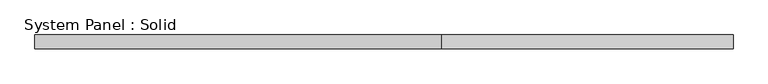
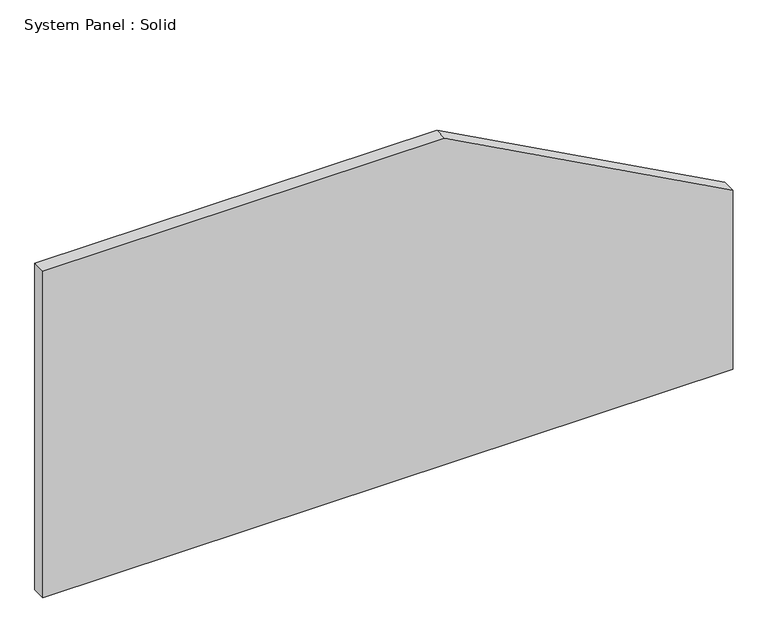
"""IFC4 building model written with IfcOpenShell, lengths in millimetres: plate geometry, System Panel : Solid."""

from ifc_helpers import new_model, si_unit, frame, origin, place, context, project, spatial, polyline, outline, extrude, source, transform, mapped, element, save


def system_panel_solid_1db8c5fe(model_context):
    return source(origin(), model_context, "Body", "SweptSolid", [
        extrude(outline(polyline([(0.0, -1500.0), (0.0, 1500.0), (823.0340154, 1500.0), (1500.0, 247.8073899), (1500.0, -1500.0), (0.0, -1500.0)])), frame((0.0, -10.5, 0.0), z_axis=(0.0, 1.0, 0.0), x_axis=(0.0, 0.0, 1.0)), (0.0, 0.0, 1.0), 60.0),
    ])


if __name__ == "__main__":
    model = new_model("IFC4")
    model_context = context("Model", 3, world=origin())
    ifc_project = project(units=[si_unit("LENGTHUNIT", "METRE", prefix="MILLI")], contexts=[model_context])
    site = spatial("IfcSite", under=ifc_project)
    building = spatial("IfcBuilding", under=site)
    placement = place(None, origin())
    system_panel_solid_shape = system_panel_solid_1db8c5fe(model_context)
    element("IfcPlate", 1, ObjectType="System Panel : Solid", at=placement, inside=building, context=model_context, shape_type="MappedRepresentation", body=[
        mapped(system_panel_solid_shape, transform((0.0, 0.0, 0.0), x_axis=(1.0, 0.0, 0.0), y_axis=(0.0, 1.0, 0.0), z_axis=(0.0, 0.0, 1.0))),
    ])
    save(model, "model.ifc")
